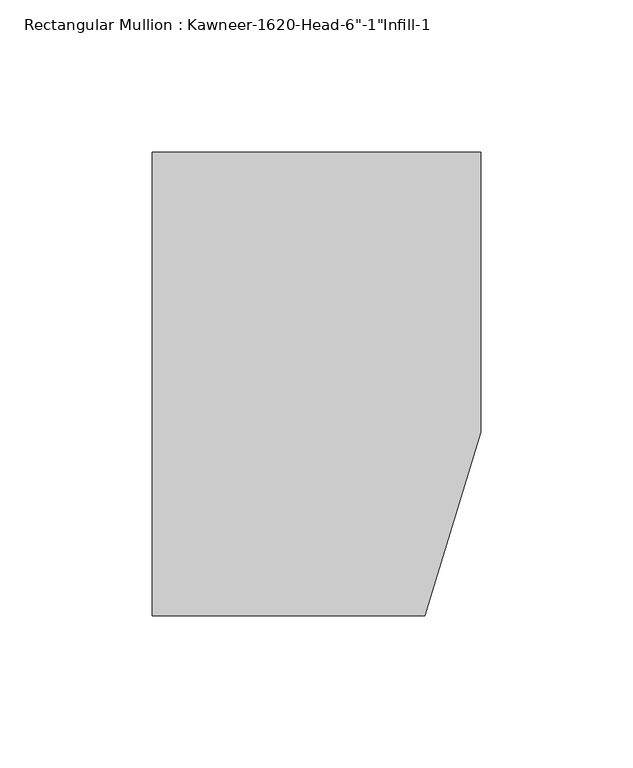
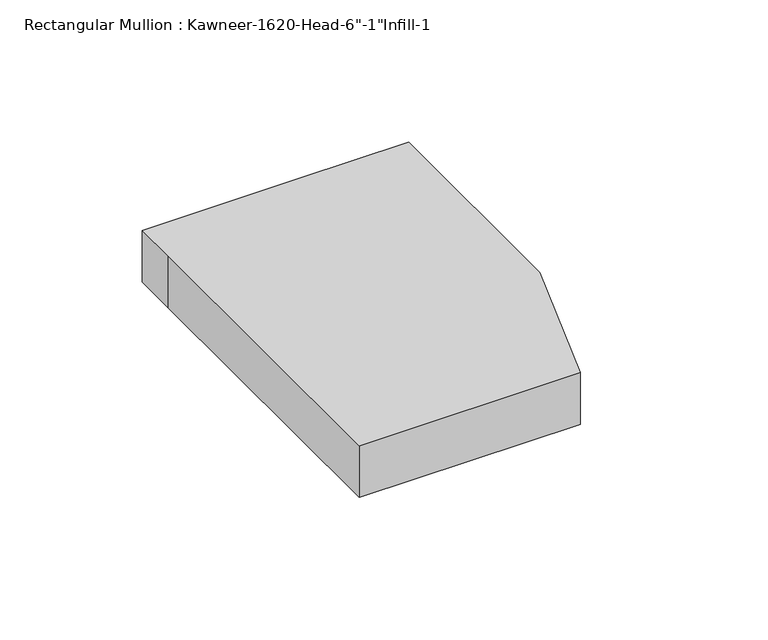
"""IFC4 building model written with IfcOpenShell, lengths in millimetres: member geometry."""

from ifc_helpers import new_model, si_unit, frame, origin, place, context, project, spatial, polyline, outline, extrude, source, transform, mapped, element, save


def member_d06bf67e(model_context):
    return source(origin(), model_context, "Body", "SweptSolid", [
        extrude(outline(polyline([(-107.95, 19.9095466), (-107.95, 38.1), (-44.1519366, 38.1), (0.0, 38.1), (0.0, -53.975), (-18.3538271, -114.3), (-107.95, -114.3), (-107.95, 19.9095466)])), frame((0.0, 0.0, -22.225), z_axis=(0.0, 0.0, 1.0), x_axis=(1.0, 0.0, 0.0)), (0.0, 0.0, 1.0), 22.225),
    ])


if __name__ == "__main__":
    model = new_model("IFC4")
    model_context = context("Model", 3, world=origin())
    ifc_project = project(units=[si_unit("LENGTHUNIT", "METRE", prefix="MILLI")], contexts=[model_context])
    site = spatial("IfcSite", under=ifc_project)
    building = spatial("IfcBuilding", under=site)
    placement = place(None, origin())
    member_shape = member_d06bf67e(model_context)
    element("IfcMember", 1, ObjectType="Rectangular Mullion : Kawneer-1620-Head-6\"-1\"Infill-1", at=placement, inside=building, context=model_context, shape_type="MappedRepresentation", body=[
        mapped(member_shape, transform((0.0, 0.0, 0.0), x_axis=(1.0, 0.0, 0.0), y_axis=(0.0, 1.0, 0.0), z_axis=(0.0, 0.0, 1.0))),
    ])
    save(model, "model.ifc")
